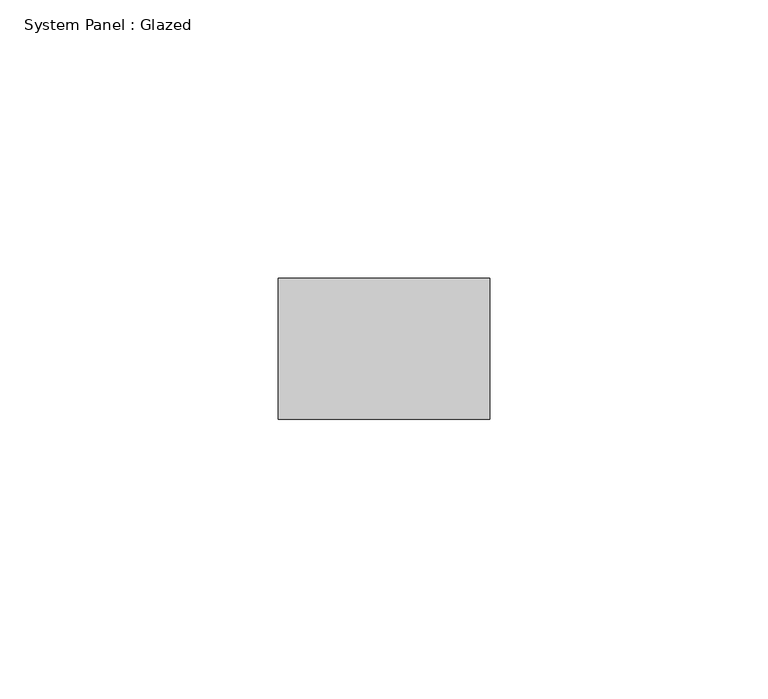
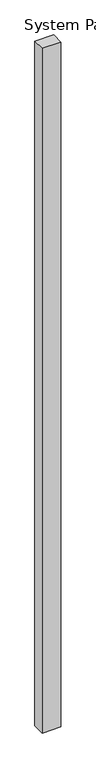
"""IFC4 building model written with IfcOpenShell, lengths in millimetres: plate geometry, System Panel : Glazed."""

from ifc_helpers import new_model, si_unit, origin, origin_with_axes, place, context, project, spatial, polyline, outline, extrude, source, transform, mapped, element, save


def system_panel_glazed_fa021a61(model_context):
    return source(origin(), model_context, "Body", "SweptSolid", [
        extrude(outline(polyline([(19.05, -44.45), (-19.05, -44.45), (-19.05, -19.05), (19.05, -19.05), (19.05, -44.45)])), origin_with_axes(), (0.0, 0.0, 1.0), 1466.85),
    ])


if __name__ == "__main__":
    model = new_model("IFC4")
    model_context = context("Model", 3, world=origin())
    ifc_project = project(units=[si_unit("LENGTHUNIT", "METRE", prefix="MILLI")], contexts=[model_context])
    site = spatial("IfcSite", under=ifc_project)
    building = spatial("IfcBuilding", under=site)
    placement = place(None, origin())
    system_panel_glazed_shape = system_panel_glazed_fa021a61(model_context)
    element("IfcPlate", 1, ObjectType="System Panel : Glazed", at=placement, inside=building, context=model_context, shape_type="MappedRepresentation", body=[
        mapped(system_panel_glazed_shape, transform((0.0, 0.0, 0.0), x_axis=(1.0, 0.0, 0.0), y_axis=(0.0, 1.0, 0.0), z_axis=(0.0, 0.0, 1.0))),
    ])
    save(model, "model.ifc")
